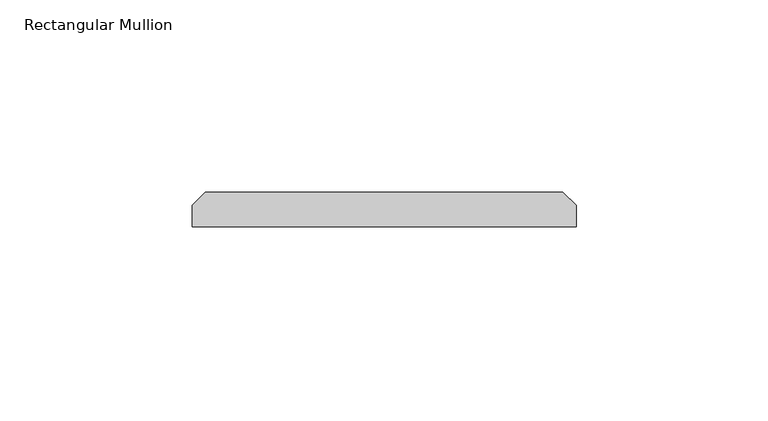
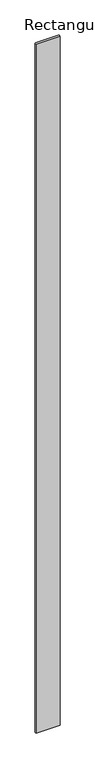
"""IFC4 building model written with IfcOpenShell, lengths in millimetres: member geometry, Rectangular Mullion."""

from ifc_helpers import new_model, si_unit, frame, origin, place, context, project, spatial, polyline, outline, extrude, source, transform, mapped, element, save


def rectangular_mullion_c7f2e075(model_context):
    return source(origin(), model_context, "Body", "SweptSolid", [
        extrude(outline(polyline([(50.0, 0.0), (-50.0, 0.0), (-50.0, 5.5), (-46.5, 9.0), (46.5, 9.0), (50.0, 5.5), (50.0, 0.0)])), frame((0.0, 0.0, -3000.0), z_axis=(0.0, 0.0, 1.0), x_axis=(1.0, 0.0, 0.0)), (0.0, 0.0, 1.0), 3000.0),
    ])


if __name__ == "__main__":
    model = new_model("IFC4")
    model_context = context("Model", 3, world=origin())
    ifc_project = project(units=[si_unit("LENGTHUNIT", "METRE", prefix="MILLI")], contexts=[model_context])
    site = spatial("IfcSite", under=ifc_project)
    building = spatial("IfcBuilding", under=site)
    placement = place(None, origin())
    rectangular_mullion_shape = rectangular_mullion_c7f2e075(model_context)
    element("IfcMember", 1, ObjectType="Rectangular Mullion", at=placement, inside=building, context=model_context, shape_type="MappedRepresentation", body=[
        mapped(rectangular_mullion_shape, transform((0.0, 0.0, 0.0), x_axis=(1.0, 0.0, 0.0), y_axis=(0.0, 1.0, 0.0), z_axis=(0.0, 0.0, 1.0))),
    ])
    save(model, "model.ifc")
